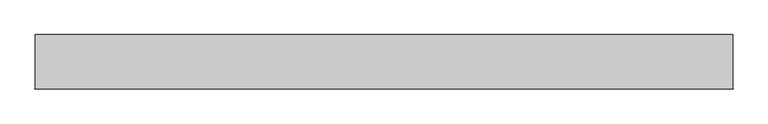
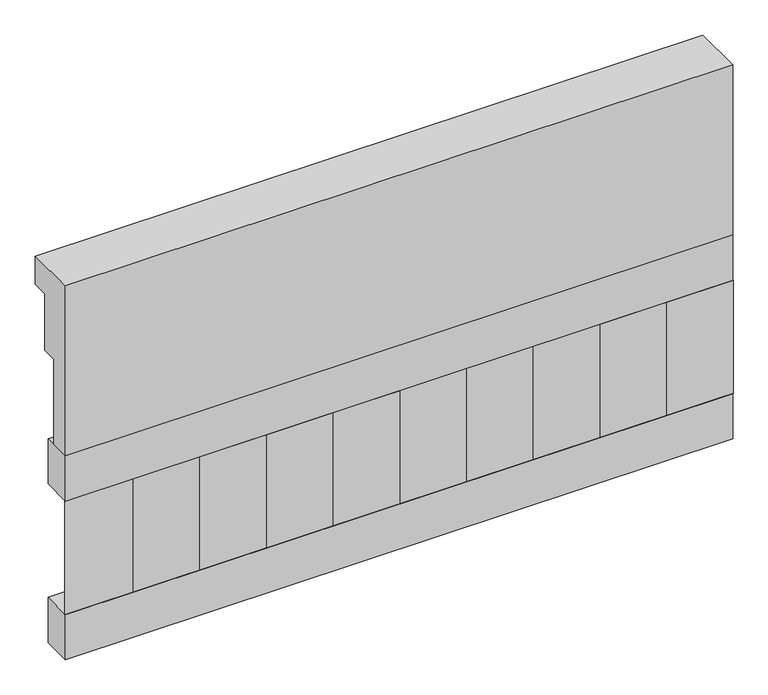
"""IFC4 building model written with IfcOpenShell, lengths in millimetres: railing geometry."""

from ifc_helpers import new_model, si_unit, frame, origin, place, context, project, spatial, polyline, outline, extrude, source, transform, mapped, element, save


def railing_179036a1(model_context):
    return source(origin(), model_context, "Body", "SweptSolid", [
        extrude(outline(polyline([(903.1079487, 21800.0), (1033.1079487, 21800.0), (1033.1079487, 21725.0), (993.1079487, 21725.0), (993.1079487, 21575.0), (953.1079487, 21575.0), (953.1079487, 21350.0), (903.1079487, 21350.0), (903.1079487, 21800.0)])), frame((29560.0112841, 0.0, 0.0), z_axis=(1.0, 0.0, 0.0), x_axis=(0.0, 1.0, 0.0)), (0.0, 0.0, 1.0), 1670.0),
        extrude(outline(polyline([(31230.0112841, 978.1079487), (31230.0112841, 903.1079487), (29560.0112841, 903.1079487), (29560.0112841, 978.1079487), (31230.0112841, 978.1079487)])), frame((0.0, 0.0, 21230.0), z_axis=(0.0, 0.0, 1.0), x_axis=(1.0, 0.0, 0.0)), (0.0, 0.0, 1.0), 120.0),
        extrude(outline(polyline([(31230.0112841, 978.1079487), (31230.0112841, 903.1079487), (29560.0112841, 903.1079487), (29560.0112841, 978.1079487), (31230.0112841, 978.1079487)])), frame((0.0, 0.0, 20810.0), z_axis=(0.0, 0.0, 1.0), x_axis=(1.0, 0.0, 0.0)), (0.0, 0.0, 1.0), 120.0),
        extrude(outline(polyline([(29643.5112841, 987.9607624), (29728.3640978, 903.1079487), (29558.6584704, 903.1079487), (29643.5112841, 987.9607624)])), frame((0.0, 0.0, 20930.0), z_axis=(0.0, 0.0, 1.0), x_axis=(1.0, 0.0, 0.0)), (0.0, 0.0, 1.0), 300.0),
        extrude(outline(polyline([(29810.5112841, 987.9607624), (29895.3640978, 903.1079487), (29725.6584704, 903.1079487), (29810.5112841, 987.9607624)])), frame((0.0, 0.0, 20930.0), z_axis=(0.0, 0.0, 1.0), x_axis=(1.0, 0.0, 0.0)), (0.0, 0.0, 1.0), 300.0),
        extrude(outline(polyline([(29977.5112841, 987.9607624), (30062.3640978, 903.1079487), (29892.6584704, 903.1079487), (29977.5112841, 987.9607624)])), frame((0.0, 0.0, 20930.0), z_axis=(0.0, 0.0, 1.0), x_axis=(1.0, 0.0, 0.0)), (0.0, 0.0, 1.0), 300.0),
        extrude(outline(polyline([(30144.5112841, 987.9607624), (30229.3640978, 903.1079487), (30059.6584704, 903.1079487), (30144.5112841, 987.9607624)])), frame((0.0, 0.0, 20930.0), z_axis=(0.0, 0.0, 1.0), x_axis=(1.0, 0.0, 0.0)), (0.0, 0.0, 1.0), 300.0),
        extrude(outline(polyline([(30311.5112841, 987.9607624), (30396.3640978, 903.1079487), (30226.6584704, 903.1079487), (30311.5112841, 987.9607624)])), frame((0.0, 0.0, 20930.0), z_axis=(0.0, 0.0, 1.0), x_axis=(1.0, 0.0, 0.0)), (0.0, 0.0, 1.0), 300.0),
        extrude(outline(polyline([(30478.5112841, 987.9607624), (30563.3640978, 903.1079487), (30393.6584704, 903.1079487), (30478.5112841, 987.9607624)])), frame((0.0, 0.0, 20930.0), z_axis=(0.0, 0.0, 1.0), x_axis=(1.0, 0.0, 0.0)), (0.0, 0.0, 1.0), 300.0),
        extrude(outline(polyline([(30645.5112841, 987.9607624), (30730.3640978, 903.1079487), (30560.6584704, 903.1079487), (30645.5112841, 987.9607624)])), frame((0.0, 0.0, 20930.0), z_axis=(0.0, 0.0, 1.0), x_axis=(1.0, 0.0, 0.0)), (0.0, 0.0, 1.0), 300.0),
        extrude(outline(polyline([(30812.5112841, 987.9607624), (30897.3640978, 903.1079487), (30727.6584704, 903.1079487), (30812.5112841, 987.9607624)])), frame((0.0, 0.0, 20930.0), z_axis=(0.0, 0.0, 1.0), x_axis=(1.0, 0.0, 0.0)), (0.0, 0.0, 1.0), 300.0),
        extrude(outline(polyline([(30979.5112841, 987.9607624), (31064.3640978, 903.1079487), (30894.6584704, 903.1079487), (30979.5112841, 987.9607624)])), frame((0.0, 0.0, 20930.0), z_axis=(0.0, 0.0, 1.0), x_axis=(1.0, 0.0, 0.0)), (0.0, 0.0, 1.0), 300.0),
        extrude(outline(polyline([(31146.5112841, 987.9607624), (31231.3640978, 903.1079487), (31061.6584704, 903.1079487), (31146.5112841, 987.9607624)])), frame((0.0, 0.0, 20930.0), z_axis=(0.0, 0.0, 1.0), x_axis=(1.0, 0.0, 0.0)), (0.0, 0.0, 1.0), 300.0),
    ])


if __name__ == "__main__":
    model = new_model("IFC4")
    model_context = context("Model", 3, world=origin())
    ifc_project = project(units=[si_unit("LENGTHUNIT", "METRE", prefix="MILLI")], contexts=[model_context])
    site = spatial("IfcSite", under=ifc_project)
    building = spatial("IfcBuilding", under=site)
    placement = place(None, origin())
    railing_shape = railing_179036a1(model_context)
    element("IfcRailing", 1, at=placement, inside=building, context=model_context, shape_type="MappedRepresentation", body=[
        mapped(railing_shape, transform((0.0, 0.0, 0.0), x_axis=(1.0, 0.0, 0.0), y_axis=(0.0, 1.0, 0.0), z_axis=(0.0, 0.0, 1.0))),
    ])
    save(model, "model.ifc")
